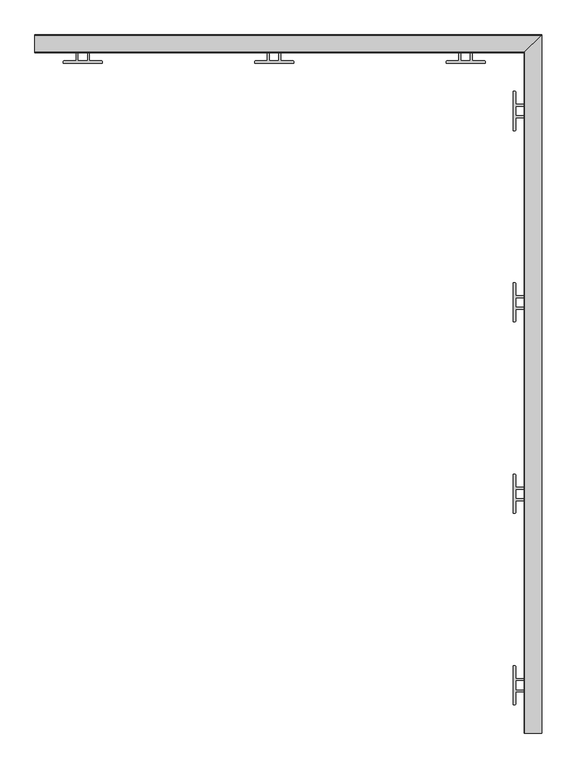
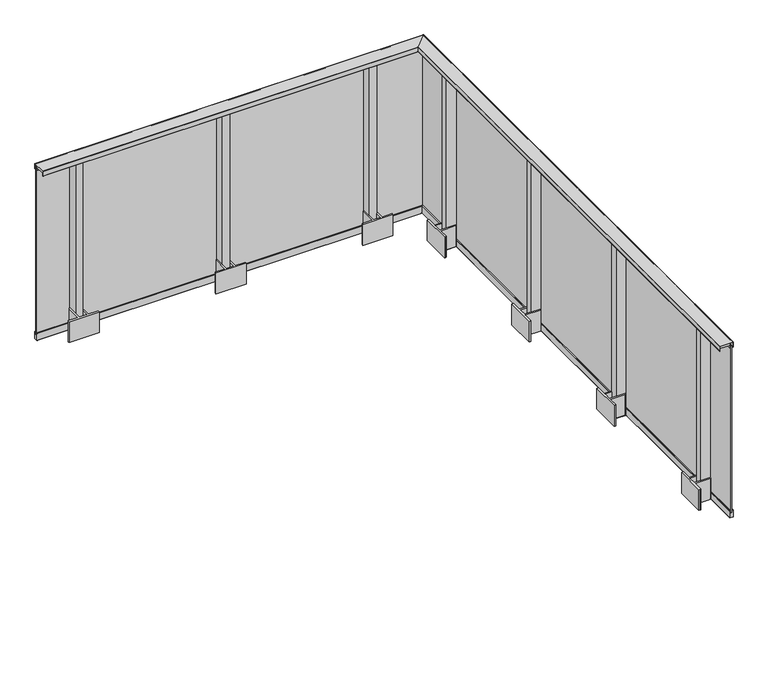
"""IFC4 building model written with IfcOpenShell, lengths in millimetres: railing geometry."""

from ifc_helpers import new_model, si_unit, frame, origin, place, context, project, spatial, polyline, circle_curve, ellipse_curve, outline, extrude, faceted_brep, source, transform, mapped, element, save
from ifc_brep_helpers import plane_surface, cylinder_surface, revolved_surface, advanced_brep


def railing_fa740b34(model_context):
    return source(origin(), model_context, "Body", "SolidModel", [
        advanced_brep(
        [(9446.4625786, 370.4991817, 1100.0), (9445.9625786, 370.4991817, 1099.5), (9445.9625786, 370.4991817, 1065.5384355), (9446.4625786, 370.4991817, 1065.0384355), (9447.9625786, 370.4991817, 1065.0384355), (9447.9625786, 370.4991817, 1084.0), (9513.9566873, 370.4991817, 1084.0), (9513.9566873, 370.4991817, 1065.0590672), (9516.7566873, 370.4991817, 1065.0590672), (9516.7566873, 370.4991817, 1066.2590672), (9515.9566873, 370.4991817, 1066.2590672), (9515.9566873, 370.4991817, 1097.5), (9516.4566873, 370.4991817, 1098.0), (9533.4625786, 370.4991817, 1098.0), (9533.9625786, 370.4991817, 1097.5), (9533.9625786, 370.4991817, 1066.2590672), (9533.1625786, 370.4991817, 1066.2590672), (9533.1625786, 370.4991817, 1065.0590672), (9537.4625786, 370.4991817, 1065.0590672), (9537.9625786, 370.4991817, 1065.5590672), (9537.9625786, 370.4991817, 1099.5), (9537.4625786, 370.4991817, 1100.0), (9446.4625786, 3925.9797635, 1100.0), (9445.9625786, 3925.4797635, 1099.5), (9445.9625786, 3925.4797635, 1065.5384355), (9446.4625786, 3925.9797635, 1065.0384355), (9447.9625786, 3927.4797635, 1065.0384355), (9447.9625786, 3927.4797635, 1084.0), (9513.9566873, 3993.4738723, 1084.0), (9513.9566873, 3993.4738723, 1065.0590672), (9516.7566873, 3996.2738723, 1065.0590672), (9516.7566873, 3996.2738723, 1066.2590672), (9515.9566873, 3995.4738723, 1066.2590672), (9515.9566873, 3995.4738723, 1097.5), (9516.4566873, 3995.9738723, 1098.0), (9533.4625786, 4012.9797635, 1098.0), (9533.9625786, 4013.4797635, 1097.5), (9533.9625786, 4013.4797635, 1066.2590672), (9533.1625786, 4012.6797635, 1066.2590672), (9533.1625786, 4012.6797635, 1065.0590672), (9537.4625786, 4016.9797635, 1065.0590672), (9537.9625786, 4017.4797635, 1065.5590672), (9537.9625786, 4017.4797635, 1099.5), (9537.4625786, 4016.9797635, 1100.0), (6890.9819967, 3925.9797635, 1100.0), (6890.9819967, 4016.9797635, 1100.0), (6890.9819967, 4017.4797635, 1099.5), (6890.9819967, 4017.4797635, 1065.5590672), (6890.9819967, 4016.9797635, 1065.0590672), (6890.9819967, 4012.6797635, 1065.0590672), (6890.9819967, 4012.6797635, 1066.2590672), (6890.9819967, 4013.4797635, 1066.2590672), (6890.9819967, 4013.4797635, 1097.5), (6890.9819967, 4012.9797635, 1098.0), (6890.9819967, 3995.9738723, 1098.0), (6890.9819967, 3995.4738723, 1097.5), (6890.9819967, 3995.4738723, 1066.2590672), (6890.9819967, 3996.2738723, 1066.2590672), (6890.9819967, 3996.2738723, 1065.0590672), (6890.9819967, 3993.4738723, 1065.0590672), (6890.9819967, 3993.4738723, 1084.0), (6890.9819967, 3927.4797635, 1084.0), (6890.9819967, 3927.4797635, 1065.0384355), (6890.9819967, 3925.9797635, 1065.0384355), (6890.9819967, 3925.4797635, 1065.5384355), (6890.9819967, 3925.4797635, 1099.5)],
        [
            (0, 1, circle_curve(frame((9446.4625786, 370.4991817, 1099.5), z_axis=(0.0, -1.0, 0.0), x_axis=(1.0, 0.0, 0.0)), 0.5)),
            (1, 2),
            (2, 3, circle_curve(frame((9446.4625786, 370.4991817, 1065.5384355), z_axis=(0.0, -1.0, 0.0), x_axis=(1.0, 0.0, 0.0)), 0.5)),
            (3, 4),
            (4, 5),
            (5, 6),
            (6, 7),
            (7, 8),
            (8, 9),
            (9, 10),
            (10, 11),
            (11, 12, circle_curve(frame((9516.4566873, 370.4991817, 1097.5), z_axis=(0.0, 1.0, 0.0), x_axis=(1.0, 0.0, 0.0)), 0.5)),
            (12, 13),
            (13, 14, circle_curve(frame((9533.4625786, 370.4991817, 1097.5), z_axis=(0.0, 1.0, 0.0), x_axis=(1.0, 0.0, 0.0)), 0.5)),
            (14, 15),
            (15, 16),
            (16, 17),
            (17, 18),
            (18, 19, circle_curve(frame((9537.4625786, 370.4991817, 1065.5590672), z_axis=(0.0, -1.0, 0.0), x_axis=(1.0, 0.0, 0.0)), 0.5)),
            (19, 20),
            (20, 21, circle_curve(frame((9537.4625786, 370.4991817, 1099.5), z_axis=(0.0, -1.0, 0.0), x_axis=(1.0, 0.0, 0.0)), 0.5)),
            (21, 0),
            (0, 22),
            (22, 23, ellipse_curve(frame((9446.4625786, 3925.9797635, 1099.5), z_axis=(0.7071067811865467, -0.7071067811865482, 0.0), x_axis=(-0.7071067811865482, -0.7071067811865469, 0.0)), 0.7071068, 0.5)),
            (23, 1),
            (23, 24),
            (24, 2),
            (24, 25, ellipse_curve(frame((9446.4625786, 3925.9797635, 1065.5384355), z_axis=(0.7071067811865467, -0.7071067811865482, 0.0), x_axis=(-0.7071067811865482, -0.7071067811865469, 0.0)), 0.7071068, 0.5)),
            (25, 3),
            (25, 26),
            (26, 4),
            (26, 27),
            (27, 5),
            (27, 28),
            (28, 6),
            (28, 29),
            (29, 7),
            (29, 30),
            (30, 8),
            (30, 31),
            (31, 9),
            (31, 32),
            (32, 10),
            (32, 33),
            (33, 11),
            (33, 34, ellipse_curve(frame((9516.4566873, 3995.9738723, 1097.5), z_axis=(-0.7071067811865467, 0.7071067811865482, 0.0), x_axis=(0.7071067811865482, 0.7071067811865469, 0.0)), 0.7071068, 0.5)),
            (34, 12),
            (34, 35),
            (35, 13),
            (35, 36, ellipse_curve(frame((9533.4625786, 4012.9797635, 1097.5), z_axis=(-0.7071067811865467, 0.7071067811865482, 0.0), x_axis=(0.7071067811865482, 0.7071067811865469, 0.0)), 0.7071068, 0.5)),
            (36, 14),
            (36, 37),
            (37, 15),
            (37, 38),
            (38, 16),
            (38, 39),
            (39, 17),
            (39, 40),
            (40, 18),
            (40, 41, ellipse_curve(frame((9537.4625786, 4016.9797635, 1065.5590672), z_axis=(0.7071067811865467, -0.7071067811865482, 0.0), x_axis=(-0.7071067811865482, -0.7071067811865469, 0.0)), 0.7071068, 0.5)),
            (41, 19),
            (41, 42),
            (42, 20),
            (42, 43, ellipse_curve(frame((9537.4625786, 4016.9797635, 1099.5), z_axis=(0.7071067811865467, -0.7071067811865482, 0.0), x_axis=(-0.7071067811865482, -0.7071067811865469, 0.0)), 0.7071068, 0.5)),
            (43, 21),
            (43, 22),
            (44, 45),
            (45, 46, circle_curve(frame((6890.9819967, 4016.9797635, 1099.5), z_axis=(-1.0, 0.0, 0.0), x_axis=(0.0, 1.0, 0.0)), 0.5)),
            (46, 47),
            (47, 48, circle_curve(frame((6890.9819967, 4016.9797635, 1065.5590672), z_axis=(-1.0, 0.0, 0.0), x_axis=(0.0, 1.0, 0.0)), 0.5)),
            (48, 49),
            (49, 50),
            (50, 51),
            (51, 52),
            (52, 53, circle_curve(frame((6890.9819967, 4012.9797635, 1097.5), z_axis=(1.0, 0.0, 0.0), x_axis=(0.0, 1.0, 0.0)), 0.5)),
            (53, 54),
            (54, 55, circle_curve(frame((6890.9819967, 3995.9738723, 1097.5), z_axis=(1.0, 0.0, 0.0), x_axis=(0.0, 1.0, 0.0)), 0.5)),
            (55, 56),
            (56, 57),
            (57, 58),
            (58, 59),
            (59, 60),
            (60, 61),
            (61, 62),
            (62, 63),
            (63, 64, circle_curve(frame((6890.9819967, 3925.9797635, 1065.5384355), z_axis=(-1.0, 0.0, 0.0), x_axis=(0.0, 1.0, 0.0)), 0.5)),
            (64, 65),
            (65, 44, circle_curve(frame((6890.9819967, 3925.9797635, 1099.5), z_axis=(-1.0, 0.0, 0.0), x_axis=(0.0, 1.0, 0.0)), 0.5)),
            (22, 44),
            (65, 23),
            (64, 24),
            (63, 25),
            (62, 26),
            (61, 27),
            (60, 28),
            (59, 29),
            (58, 30),
            (57, 31),
            (56, 32),
            (55, 33),
            (54, 34),
            (53, 35),
            (52, 36),
            (51, 37),
            (50, 38),
            (49, 39),
            (48, 40),
            (47, 41),
            (46, 42),
            (45, 43),
        ],
        [
            plane_surface(frame((9482.9819967, 370.4991817, 1100.0), z_axis=(0.0, -1.0, 0.0), x_axis=(0.0, 0.0, 1.0))),
            cylinder_surface(frame((9446.4625786, 370.4991817, 1099.5), z_axis=(0.0, -1.0, 0.0), x_axis=(1.0, 0.0, 0.0)), 0.5),
            plane_surface(frame((9445.9625786, 370.4991817, 1099.5), z_axis=(-1.0, 0.0, 0.0), x_axis=(0.0, 1.0, 0.0))),
            cylinder_surface(frame((9446.4625786, 370.4991817, 1065.5384355), z_axis=(0.0, -1.0, 0.0), x_axis=(1.0, 0.0, 0.0)), 0.5),
            plane_surface(frame((9446.4625786, 370.4991817, 1065.0384355), z_axis=(0.0, 0.0, -1.0), x_axis=(0.0, 1.0, 0.0))),
            plane_surface(frame((9447.9625786, 370.4991817, 1065.0384355), z_axis=(1.0, 0.0, 0.0), x_axis=(0.0, 1.0, 0.0))),
            plane_surface(frame((9447.9625786, 370.4991817, 1084.0), z_axis=(0.0, 0.0, -1.0), x_axis=(0.0, 1.0, 0.0))),
            plane_surface(frame((9513.9566873, 370.4991817, 1084.0), z_axis=(-1.0, 0.0, 0.0), x_axis=(0.0, 1.0, 0.0))),
            plane_surface(frame((9513.9566873, 370.4991817, 1065.0590672), z_axis=(0.0, 0.0, -1.0), x_axis=(0.0, 1.0, 0.0))),
            plane_surface(frame((9516.7566873, 370.4991817, 1065.0590672), z_axis=(1.0, 0.0, 0.0), x_axis=(0.0, 1.0, 0.0))),
            plane_surface(frame((9516.7566873, 370.4991817, 1066.2590672), z_axis=(0.0, 0.0, 1.0), x_axis=(0.0, 1.0, 0.0))),
            plane_surface(frame((9515.9566873, 370.4991817, 1066.2590672), z_axis=(1.0, 0.0, 0.0), x_axis=(0.0, 1.0, 0.0))),
            revolved_surface(polyline([(9516.9566873, 3996.473872313303, 1097.5), (9516.9566873, 370.4991817, 1097.5)]), (9516.4566873, 370.4991817, 1097.5), (0.0, 1.0, 0.0)),
            plane_surface(frame((9516.4566873, 370.4991817, 1098.0), z_axis=(0.0, 0.0, -1.0), x_axis=(0.0, 1.0, 0.0))),
            revolved_surface(polyline([(9533.9625786, 4013.479763513303, 1097.5), (9533.9625786, 370.4991817, 1097.5)]), (9533.4625786, 370.4991817, 1097.5), (0.0, 1.0, 0.0)),
            plane_surface(frame((9533.9625786, 370.4991817, 1097.5), z_axis=(-1.0, 0.0, 0.0), x_axis=(0.0, 1.0, 0.0))),
            plane_surface(frame((9533.9625786, 370.4991817, 1066.2590672), z_axis=(0.0, 0.0, 1.0), x_axis=(0.0, 1.0, 0.0))),
            plane_surface(frame((9533.1625786, 370.4991817, 1066.2590672), z_axis=(-1.0, 0.0, 0.0), x_axis=(0.0, 1.0, 0.0))),
            plane_surface(frame((9533.1625786, 370.4991817, 1065.0590672), z_axis=(0.0, 0.0, -1.0), x_axis=(0.0, 1.0, 0.0))),
            cylinder_surface(frame((9537.4625786, 370.4991817, 1065.5590672), z_axis=(0.0, -1.0, 0.0), x_axis=(1.0, 0.0, 0.0)), 0.5),
            plane_surface(frame((9537.9625786, 370.4991817, 1065.5590672), z_axis=(1.0, 0.0, 0.0), x_axis=(0.0, 1.0, 0.0))),
            cylinder_surface(frame((9537.4625786, 370.4991817, 1099.5), z_axis=(0.0, -1.0, 0.0), x_axis=(1.0, 0.0, 0.0)), 0.5),
            plane_surface(frame((9537.4625786, 370.4991817, 1100.0), z_axis=(0.0, 0.0, 1.0), x_axis=(0.0, 1.0, 0.0))),
            plane_surface(frame((6890.9819967, 3962.4991817, 1100.0), z_axis=(-1.0, 0.0, 0.0), x_axis=(0.0, -1.0, 0.0))),
            cylinder_surface(frame((9482.9819967, 3925.9797635, 1099.5), z_axis=(1.0, 0.0, 0.0), x_axis=(0.0, 1.0, 0.0)), 0.5),
            plane_surface(frame((9445.9625786, 3925.4797635, 1099.5), z_axis=(0.0, -1.0, 0.0), x_axis=(-1.0, 0.0, 0.0))),
            cylinder_surface(frame((9482.9819967, 3925.9797635, 1065.5384355), z_axis=(1.0, 0.0, 0.0), x_axis=(0.0, 1.0, 0.0)), 0.5),
            plane_surface(frame((9446.4625786, 3925.9797635, 1065.0384355), z_axis=(0.0, 0.0, -1.0), x_axis=(-1.0, 0.0, 0.0))),
            plane_surface(frame((9447.9625786, 3927.4797635, 1065.0384355), z_axis=(0.0, 1.0, 0.0), x_axis=(-1.0, 0.0, 0.0))),
            plane_surface(frame((9447.9625786, 3927.4797635, 1084.0), z_axis=(0.0, 0.0, -1.0), x_axis=(-1.0, 0.0, 0.0))),
            plane_surface(frame((9513.9566873, 3993.4738723, 1084.0), z_axis=(0.0, -1.0, 0.0), x_axis=(-1.0, 0.0, 0.0))),
            plane_surface(frame((9513.9566873, 3993.4738723, 1065.0590672), z_axis=(0.0, 0.0, -1.0), x_axis=(-1.0, 0.0, 0.0))),
            plane_surface(frame((9516.7566873, 3996.2738723, 1065.0590672), z_axis=(0.0, 1.0, 0.0), x_axis=(-1.0, 0.0, 0.0))),
            plane_surface(frame((9516.7566873, 3996.2738723, 1066.2590672), z_axis=(0.0, 0.0, 1.0), x_axis=(-1.0, 0.0, 0.0))),
            plane_surface(frame((9515.9566873, 3995.4738723, 1066.2590672), z_axis=(0.0, 1.0, 0.0), x_axis=(-1.0, 0.0, 0.0))),
            revolved_surface(polyline([(6890.9819967, 3996.4738723, 1097.5), (9516.956687313303, 3996.4738723, 1097.5)]), (9482.9819967, 3995.9738723, 1097.5), (-1.0, 0.0, 0.0)),
            plane_surface(frame((9516.4566873, 3995.9738723, 1098.0), z_axis=(0.0, 0.0, -1.0), x_axis=(-1.0, 0.0, 0.0))),
            revolved_surface(polyline([(6890.9819967, 4013.4797635, 1097.5), (9533.962578613302, 4013.4797635, 1097.5)]), (9482.9819967, 4012.9797635, 1097.5), (-1.0, 0.0, 0.0)),
            plane_surface(frame((9533.9625786, 4013.4797635, 1097.5), z_axis=(0.0, -1.0, 0.0), x_axis=(-1.0, 0.0, 0.0))),
            plane_surface(frame((9533.9625786, 4013.4797635, 1066.2590672), z_axis=(0.0, 0.0, 1.0), x_axis=(-1.0, 0.0, 0.0))),
            plane_surface(frame((9533.1625786, 4012.6797635, 1066.2590672), z_axis=(0.0, -1.0, 0.0), x_axis=(-1.0, 0.0, 0.0))),
            plane_surface(frame((9533.1625786, 4012.6797635, 1065.0590672), z_axis=(0.0, 0.0, -1.0), x_axis=(-1.0, 0.0, 0.0))),
            cylinder_surface(frame((9482.9819967, 4016.9797635, 1065.5590672), z_axis=(1.0, 0.0, 0.0), x_axis=(0.0, 1.0, 0.0)), 0.5),
            plane_surface(frame((9537.9625786, 4017.4797635, 1065.5590672), z_axis=(0.0, 1.0, 0.0), x_axis=(-1.0, 0.0, 0.0))),
            cylinder_surface(frame((9482.9819967, 4016.9797635, 1099.5), z_axis=(1.0, 0.0, 0.0), x_axis=(0.0, 1.0, 0.0)), 0.5),
            plane_surface(frame((9537.4625786, 4016.9797635, 1100.0), z_axis=(0.0, 0.0, 1.0), x_axis=(-1.0, 0.0, 0.0))),
        ],
        [
            (0, [[1, 2, 3, 4, 5, 6, 7, 8, 9, 10, 11, 12, 13, 14, 15, 16, 17, 18, 19, 20, 21, 22]]),
            (1, [[-1, 23, 24, 25]]),
            (2, [[-2, -25, 26, 27]]),
            (3, [[-3, -27, 28, 29]]),
            (4, [[-4, -29, 30, 31]]),
            (5, [[-5, -31, 32, 33]]),
            (6, [[-6, -33, 34, 35]]),
            (7, [[-7, -35, 36, 37]]),
            (8, [[-8, -37, 38, 39]]),
            (9, [[-9, -39, 40, 41]]),
            (10, [[-10, -41, 42, 43]]),
            (11, [[-11, -43, 44, 45]]),
            (12, [[-12, -45, 46, 47]]),
            (13, [[-13, -47, 48, 49]]),
            (14, [[-14, -49, 50, 51]]),
            (15, [[-15, -51, 52, 53]]),
            (16, [[-16, -53, 54, 55]]),
            (17, [[-17, -55, 56, 57]]),
            (18, [[-18, -57, 58, 59]]),
            (19, [[-19, -59, 60, 61]]),
            (20, [[-20, -61, 62, 63]]),
            (21, [[-21, -63, 64, 65]]),
            (22, [[-22, -65, 66, -23]]),
            (23, [[67, 68, 69, 70, 71, 72, 73, 74, 75, 76, 77, 78, 79, 80, 81, 82, 83, 84, 85, 86, 87, 88]]),
            (24, [[-24, 89, -88, 90]]),
            (25, [[-26, -90, -87, 91]]),
            (26, [[-28, -91, -86, 92]]),
            (27, [[-30, -92, -85, 93]]),
            (28, [[-32, -93, -84, 94]]),
            (29, [[-34, -94, -83, 95]]),
            (30, [[-36, -95, -82, 96]]),
            (31, [[-38, -96, -81, 97]]),
            (32, [[-40, -97, -80, 98]]),
            (33, [[-42, -98, -79, 99]]),
            (34, [[-44, -99, -78, 100]]),
            (35, [[-46, -100, -77, 101]]),
            (36, [[-48, -101, -76, 102]]),
            (37, [[-50, -102, -75, 103]]),
            (38, [[-52, -103, -74, 104]]),
            (39, [[-54, -104, -73, 105]]),
            (40, [[-56, -105, -72, 106]]),
            (41, [[-58, -106, -71, 107]]),
            (42, [[-60, -107, -70, 108]]),
            (43, [[-62, -108, -69, 109]]),
            (44, [[-64, -109, -68, 110]]),
            (45, [[-66, -110, -67, -89]]),
        ],
    ),
        faceted_brep([(9529.9819967, 370.4991817, 1075.0), (9521.9819967, 370.4991817, 1075.0), (9521.9819967, 370.4991817, -125.0), (9529.9819967, 370.4991817, -125.0), (9529.9819967, 4009.4991817, 1075.0), (9521.9819967, 4001.4991817, 1075.0), (9521.9819967, 4001.4991817, -125.0), (9529.9819967, 4009.4991817, -125.0), (6890.9819967, 4009.4991817, 1075.0), (6890.9819967, 4009.4991817, -125.0), (6890.9819967, 4001.4991817, -125.0), (6890.9819967, 4001.4991817, 1075.0)], [[[0, 1, 2, 3]], [[1, 0, 4, 5]], [[2, 1, 5, 6]], [[3, 2, 6, 7]], [[0, 3, 7, 4]], [[8, 9, 10, 11]], [[5, 4, 8, 11]], [[6, 5, 11, 10]], [[7, 6, 10, 9]], [[4, 7, 9, 8]]]),
        faceted_brep([(9516.6692541, 370.4991817, 1065.2160621), (9515.6441664, 370.4991817, 1065.2160621), (9515.6441664, 370.4991817, 1063.6627783), (9521.9819967, 370.4991817, 1061.8454347), (9521.9819967, 370.4991817, 1072.0), (9516.6692541, 370.4991817, 1074.1464874), (9516.6692541, 3996.186439, 1065.2160621), (9515.6441664, 3995.1613513, 1065.2160621), (9515.6441664, 3995.1613513, 1063.6627783), (9521.9819967, 4001.4991817, 1061.8454347), (9521.9819967, 4001.4991817, 1072.0), (9516.6692541, 3996.186439, 1074.1464874), (6890.9819967, 3996.186439, 1065.2160621), (6890.9819967, 3996.186439, 1074.1464874), (6890.9819967, 4001.4991817, 1072.0), (6890.9819967, 4001.4991817, 1061.8454347), (6890.9819967, 3995.1613513, 1063.6627783), (6890.9819967, 3995.1613513, 1065.2160621)], [[[0, 1, 2, 3, 4, 5]], [[1, 0, 6, 7]], [[2, 1, 7, 8]], [[3, 2, 8, 9]], [[4, 3, 9, 10]], [[5, 4, 10, 11]], [[0, 5, 11, 6]], [[12, 13, 14, 15, 16, 17]], [[7, 6, 12, 17]], [[8, 7, 17, 16]], [[9, 8, 16, 15]], [[10, 9, 15, 14]], [[11, 10, 14, 13]], [[6, 11, 13, 12]]]),
        faceted_brep([(9535.2947394, 370.4991817, 1065.2160621), (9535.2947394, 370.4991817, 1074.1464874), (9529.9819967, 370.4991817, 1072.0), (9529.9819967, 370.4991817, 1061.8454347), (9536.3198271, 370.4991817, 1063.6627783), (9536.3198271, 370.4991817, 1065.2160621), (9535.2947394, 4014.8119243, 1065.2160621), (9535.2947394, 4014.8119243, 1074.1464874), (9529.9819967, 4009.4991817, 1072.0), (9529.9819967, 4009.4991817, 1061.8454347), (9536.3198271, 4015.837012, 1063.6627783), (9536.3198271, 4015.837012, 1065.2160621), (6890.9819967, 4014.8119243, 1065.2160621), (6890.9819967, 4015.837012, 1065.2160621), (6890.9819967, 4015.837012, 1063.6627783), (6890.9819967, 4009.4991817, 1061.8454347), (6890.9819967, 4009.4991817, 1072.0), (6890.9819967, 4014.8119243, 1074.1464874)], [[[0, 1, 2, 3, 4, 5]], [[1, 0, 6, 7]], [[2, 1, 7, 8]], [[3, 2, 8, 9]], [[4, 3, 9, 10]], [[5, 4, 10, 11]], [[0, 5, 11, 6]], [[12, 13, 14, 15, 16, 17]], [[7, 6, 12, 17]], [[8, 7, 17, 16]], [[9, 8, 16, 15]], [[10, 9, 15, 14]], [[11, 10, 14, 13]], [[6, 11, 13, 12]]]),
        advanced_brep(
        [(9537.4819967, 370.4991817, -160.0), (9537.9819967, 370.4991817, -159.5), (9537.9819967, 370.4991817, -110.5), (9537.4819967, 370.4991817, -110.0), (9514.4819967, 370.4991817, -110.0), (9513.9819967, 370.4991817, -110.5), (9513.9819967, 370.4991817, -159.5), (9514.4819967, 370.4991817, -160.0), (9537.4819967, 4016.9991817, -160.0), (9537.9819967, 4017.4991817, -159.5), (9537.9819967, 4017.4991817, -110.5), (9537.4819967, 4016.9991817, -110.0), (9514.4819967, 3993.9991817, -110.0), (9513.9819967, 3993.4991817, -110.5), (9513.9819967, 3993.4991817, -159.5), (9514.4819967, 3993.9991817, -160.0), (6890.9819967, 4016.9991817, -160.0), (6890.9819967, 3993.9991817, -160.0), (6890.9819967, 3993.4991817, -159.5), (6890.9819967, 3993.4991817, -110.5), (6890.9819967, 3993.9991817, -110.0), (6890.9819967, 4016.9991817, -110.0), (6890.9819967, 4017.4991817, -110.5), (6890.9819967, 4017.4991817, -159.5)],
        [
            (0, 1, circle_curve(frame((9537.4819967, 370.4991817, -159.5), z_axis=(0.0, -1.0, 0.0), x_axis=(1.0, 0.0, 0.0)), 0.5)),
            (1, 2),
            (2, 3, circle_curve(frame((9537.4819967, 370.4991817, -110.5), z_axis=(0.0, -1.0, 0.0), x_axis=(1.0, 0.0, 0.0)), 0.5)),
            (3, 4),
            (4, 5, circle_curve(frame((9514.4819967, 370.4991817, -110.5), z_axis=(0.0, -1.0, 0.0), x_axis=(1.0, 0.0, 0.0)), 0.5)),
            (5, 6),
            (6, 7, circle_curve(frame((9514.4819967, 370.4991817, -159.5), z_axis=(0.0, -1.0, 0.0), x_axis=(1.0, 0.0, 0.0)), 0.5)),
            (7, 0),
            (0, 8),
            (8, 9, ellipse_curve(frame((9537.4819967, 4016.9991817, -159.5), z_axis=(0.7071067811865467, -0.7071067811865482, 0.0), x_axis=(-0.7071067811865482, -0.7071067811865469, 0.0)), 0.7071068, 0.5)),
            (9, 1),
            (9, 10),
            (10, 2),
            (10, 11, ellipse_curve(frame((9537.4819967, 4016.9991817, -110.5), z_axis=(0.7071067811865467, -0.7071067811865482, 0.0), x_axis=(-0.7071067811865482, -0.7071067811865469, 0.0)), 0.7071068, 0.5)),
            (11, 3),
            (11, 12),
            (12, 4),
            (12, 13, ellipse_curve(frame((9514.4819967, 3993.9991817, -110.5), z_axis=(0.7071067811865467, -0.7071067811865482, 0.0), x_axis=(-0.7071067811865482, -0.7071067811865469, 0.0)), 0.7071068, 0.5)),
            (13, 5),
            (13, 14),
            (14, 6),
            (14, 15, ellipse_curve(frame((9514.4819967, 3993.9991817, -159.5), z_axis=(0.7071067811865467, -0.7071067811865482, 0.0), x_axis=(-0.7071067811865482, -0.7071067811865469, 0.0)), 0.7071068, 0.5)),
            (15, 7),
            (15, 8),
            (16, 17),
            (17, 18, circle_curve(frame((6890.9819967, 3993.9991817, -159.5), z_axis=(-1.0, 0.0, 0.0), x_axis=(0.0, 1.0, 0.0)), 0.5)),
            (18, 19),
            (19, 20, circle_curve(frame((6890.9819967, 3993.9991817, -110.5), z_axis=(-1.0, 0.0, 0.0), x_axis=(0.0, 1.0, 0.0)), 0.5)),
            (20, 21),
            (21, 22, circle_curve(frame((6890.9819967, 4016.9991817, -110.5), z_axis=(-1.0, 0.0, 0.0), x_axis=(0.0, 1.0, 0.0)), 0.5)),
            (22, 23),
            (23, 16, circle_curve(frame((6890.9819967, 4016.9991817, -159.5), z_axis=(-1.0, 0.0, 0.0), x_axis=(0.0, 1.0, 0.0)), 0.5)),
            (8, 16),
            (23, 9),
            (22, 10),
            (21, 11),
            (20, 12),
            (19, 13),
            (18, 14),
            (17, 15),
        ],
        [
            plane_surface(frame((9525.9819967, 370.4991817, -160.0), z_axis=(0.0, -1.0, 0.0), x_axis=(0.0, 0.0, 1.0))),
            cylinder_surface(frame((9537.4819967, 370.4991817, -159.5), z_axis=(0.0, -1.0, 0.0), x_axis=(1.0, 0.0, 0.0)), 0.5),
            plane_surface(frame((9537.9819967, 370.4991817, -159.5), z_axis=(1.0, 0.0, 0.0), x_axis=(0.0, 1.0, 0.0))),
            cylinder_surface(frame((9537.4819967, 370.4991817, -110.5), z_axis=(0.0, -1.0, 0.0), x_axis=(1.0, 0.0, 0.0)), 0.5),
            plane_surface(frame((9537.4819967, 370.4991817, -110.0), z_axis=(0.0, 0.0, 1.0), x_axis=(0.0, 1.0, 0.0))),
            cylinder_surface(frame((9514.4819967, 370.4991817, -110.5), z_axis=(0.0, -1.0, 0.0), x_axis=(1.0, 0.0, 0.0)), 0.5),
            plane_surface(frame((9513.9819967, 370.4991817, -110.5), z_axis=(-1.0, 0.0, 0.0), x_axis=(0.0, 1.0, 0.0))),
            cylinder_surface(frame((9514.4819967, 370.4991817, -159.5), z_axis=(0.0, -1.0, 0.0), x_axis=(1.0, 0.0, 0.0)), 0.5),
            plane_surface(frame((9514.4819967, 370.4991817, -160.0), z_axis=(0.0, 0.0, -1.0), x_axis=(0.0, 1.0, 0.0))),
            plane_surface(frame((6890.9819967, 4005.4991817, -160.0), z_axis=(-1.0, 0.0, 0.0), x_axis=(0.0, -1.0, 0.0))),
            cylinder_surface(frame((9525.9819967, 4016.9991817, -159.5), z_axis=(1.0, 0.0, 0.0), x_axis=(0.0, 1.0, 0.0)), 0.5),
            plane_surface(frame((9537.9819967, 4017.4991817, -159.5), z_axis=(0.0, 1.0, 0.0), x_axis=(-1.0, 0.0, 0.0))),
            cylinder_surface(frame((9525.9819967, 4016.9991817, -110.5), z_axis=(1.0, 0.0, 0.0), x_axis=(0.0, 1.0, 0.0)), 0.5),
            plane_surface(frame((9537.4819967, 4016.9991817, -110.0), z_axis=(0.0, 0.0, 1.0), x_axis=(-1.0, 0.0, 0.0))),
            cylinder_surface(frame((9525.9819967, 3993.9991817, -110.5), z_axis=(1.0, 0.0, 0.0), x_axis=(0.0, 1.0, 0.0)), 0.5),
            plane_surface(frame((9513.9819967, 3993.4991817, -110.5), z_axis=(0.0, -1.0, 0.0), x_axis=(-1.0, 0.0, 0.0))),
            cylinder_surface(frame((9525.9819967, 3993.9991817, -159.5), z_axis=(1.0, 0.0, 0.0), x_axis=(0.0, 1.0, 0.0)), 0.5),
            plane_surface(frame((9514.4819967, 3993.9991817, -160.0), z_axis=(0.0, 0.0, -1.0), x_axis=(-1.0, 0.0, 0.0))),
        ],
        [
            (0, [[1, 2, 3, 4, 5, 6, 7, 8]]),
            (1, [[-1, 9, 10, 11]]),
            (2, [[-2, -11, 12, 13]]),
            (3, [[-3, -13, 14, 15]]),
            (4, [[-4, -15, 16, 17]]),
            (5, [[-5, -17, 18, 19]]),
            (6, [[-6, -19, 20, 21]]),
            (7, [[-7, -21, 22, 23]]),
            (8, [[-8, -23, 24, -9]]),
            (9, [[25, 26, 27, 28, 29, 30, 31, 32]]),
            (10, [[-10, 33, -32, 34]]),
            (11, [[-12, -34, -31, 35]]),
            (12, [[-14, -35, -30, 36]]),
            (13, [[-16, -36, -29, 37]]),
            (14, [[-18, -37, -28, 38]]),
            (15, [[-20, -38, -27, 39]]),
            (16, [[-22, -39, -26, 40]]),
            (17, [[-24, -40, -25, -33]]),
        ],
    ),
        extrude(outline(polyline([(7115.9819967, 3928.4991817), (7115.9819967, 3993.4991817), (7165.9819967, 3993.4991817), (7165.9819967, 3928.4991817), (7115.9819967, 3928.4991817)])), frame((0.0, 0.0, -162.0), z_axis=(0.0, 0.0, 1.0), x_axis=(1.0, 0.0, 0.0)), (0.0, 0.0, 1.0), 1250.0384355),
        extrude(outline(polyline([(7038.4819967, 3870.4991817), (7038.4819967, 3879.6707545), (7041.3104239, 3882.4991817), (7105.9612097, 3882.4991817), (7105.9612097, 3985.4362256), (7109.4872118, 3990.4718784), (7115.9612097, 3990.4718784), (7115.9612097, 3882.4991817), (7166.0027837, 3882.4991817), (7166.0027837, 3990.4718784), (7172.4767816, 3990.4718784), (7176.0027837, 3985.4362256), (7176.0027837, 3882.4991817), (7240.6535696, 3882.4991817), (7243.4819967, 3879.6707545), (7243.4819967, 3870.4991817), (7038.4819967, 3870.4991817)])), frame((0.0, 0.0, -152.0), z_axis=(0.0, 0.0, 1.0), x_axis=(1.0, 0.0, 0.0)), (0.0, 0.0, 1.0), 150.0),
        extrude(outline(polyline([(8115.9819967, 3928.4991817), (8115.9819967, 3993.4991817), (8165.9819967, 3993.4991817), (8165.9819967, 3928.4991817), (8115.9819967, 3928.4991817)])), frame((0.0, 0.0, -162.0), z_axis=(0.0, 0.0, 1.0), x_axis=(1.0, 0.0, 0.0)), (0.0, 0.0, 1.0), 1250.0384355),
        extrude(outline(polyline([(8038.4819967, 3870.4991817), (8038.4819967, 3879.6707545), (8041.3104239, 3882.4991817), (8105.9612097, 3882.4991817), (8105.9612097, 3985.4362256), (8109.4872118, 3990.4718784), (8115.9612097, 3990.4718784), (8115.9612097, 3882.4991817), (8166.0027837, 3882.4991817), (8166.0027837, 3990.4718784), (8172.4767816, 3990.4718784), (8176.0027837, 3985.4362256), (8176.0027837, 3882.4991817), (8240.6535696, 3882.4991817), (8243.4819967, 3879.6707545), (8243.4819967, 3870.4991817), (8038.4819967, 3870.4991817)])), frame((0.0, 0.0, -152.0), z_axis=(0.0, 0.0, 1.0), x_axis=(1.0, 0.0, 0.0)), (0.0, 0.0, 1.0), 150.0),
        extrude(outline(polyline([(9115.9819967, 3928.4991817), (9115.9819967, 3993.4991817), (9165.9819967, 3993.4991817), (9165.9819967, 3928.4991817), (9115.9819967, 3928.4991817)])), frame((0.0, 0.0, -162.0), z_axis=(0.0, 0.0, 1.0), x_axis=(1.0, 0.0, 0.0)), (0.0, 0.0, 1.0), 1250.0384355),
        extrude(outline(polyline([(9038.4819967, 3870.4991817), (9038.4819967, 3879.6707545), (9041.3104239, 3882.4991817), (9105.9612097, 3882.4991817), (9105.9612097, 3985.4362256), (9109.4872118, 3990.4718784), (9115.9612097, 3990.4718784), (9115.9612097, 3882.4991817), (9166.0027837, 3882.4991817), (9166.0027837, 3990.4718784), (9172.4767816, 3990.4718784), (9176.0027837, 3985.4362256), (9176.0027837, 3882.4991817), (9240.6535696, 3882.4991817), (9243.4819967, 3879.6707545), (9243.4819967, 3870.4991817), (9038.4819967, 3870.4991817)])), frame((0.0, 0.0, -152.0), z_axis=(0.0, 0.0, 1.0), x_axis=(1.0, 0.0, 0.0)), (0.0, 0.0, 1.0), 150.0),
        extrude(outline(polyline([(9448.9819967, 3645.4991817), (9513.9819967, 3645.4991817), (9513.9819967, 3595.4991817), (9448.9819967, 3595.4991817), (9448.9819967, 3645.4991817)])), frame((0.0, 0.0, -162.0), z_axis=(0.0, 0.0, 1.0), x_axis=(1.0, 0.0, 0.0)), (0.0, 0.0, 1.0), 1250.0384355),
        extrude(outline(polyline([(9390.9819967, 3722.9991817), (9400.1535696, 3722.9991817), (9402.9819967, 3720.1707545), (9402.9819967, 3655.5199687), (9505.9190406, 3655.5199687), (9510.9546935, 3651.9939666), (9510.9546935, 3645.5199687), (9402.9819967, 3645.5199687), (9402.9819967, 3595.4783947), (9510.9546935, 3595.4783947), (9510.9546935, 3589.0043968), (9505.9190406, 3585.4783947), (9402.9819967, 3585.4783947), (9402.9819967, 3520.8276088), (9400.1535696, 3517.9991817), (9390.9819967, 3517.9991817), (9390.9819967, 3722.9991817)])), frame((0.0, 0.0, -152.0), z_axis=(0.0, 0.0, 1.0), x_axis=(1.0, 0.0, 0.0)), (0.0, 0.0, 1.0), 150.0),
        extrude(outline(polyline([(9448.9819967, 2645.4991817), (9513.9819967, 2645.4991817), (9513.9819967, 2595.4991817), (9448.9819967, 2595.4991817), (9448.9819967, 2645.4991817)])), frame((0.0, 0.0, -162.0), z_axis=(0.0, 0.0, 1.0), x_axis=(1.0, 0.0, 0.0)), (0.0, 0.0, 1.0), 1250.0384355),
        extrude(outline(polyline([(9390.9819967, 2722.9991817), (9400.1535696, 2722.9991817), (9402.9819967, 2720.1707545), (9402.9819967, 2655.5199687), (9505.9190406, 2655.5199687), (9510.9546935, 2651.9939666), (9510.9546935, 2645.5199687), (9402.9819967, 2645.5199687), (9402.9819967, 2595.4783947), (9510.9546935, 2595.4783947), (9510.9546935, 2589.0043968), (9505.9190406, 2585.4783947), (9402.9819967, 2585.4783947), (9402.9819967, 2520.8276088), (9400.1535696, 2517.9991817), (9390.9819967, 2517.9991817), (9390.9819967, 2722.9991817)])), frame((0.0, 0.0, -152.0), z_axis=(0.0, 0.0, 1.0), x_axis=(1.0, 0.0, 0.0)), (0.0, 0.0, 1.0), 150.0),
        extrude(outline(polyline([(9448.9819967, 1645.4991817), (9513.9819967, 1645.4991817), (9513.9819967, 1595.4991817), (9448.9819967, 1595.4991817), (9448.9819967, 1645.4991817)])), frame((0.0, 0.0, -162.0), z_axis=(0.0, 0.0, 1.0), x_axis=(1.0, 0.0, 0.0)), (0.0, 0.0, 1.0), 1250.0384355),
        extrude(outline(polyline([(9390.9819967, 1722.9991817), (9400.1535696, 1722.9991817), (9402.9819967, 1720.1707545), (9402.9819967, 1655.5199687), (9505.9190406, 1655.5199687), (9510.9546935, 1651.9939666), (9510.9546935, 1645.5199687), (9402.9819967, 1645.5199687), (9402.9819967, 1595.4783947), (9510.9546935, 1595.4783947), (9510.9546935, 1589.0043968), (9505.9190406, 1585.4783947), (9402.9819967, 1585.4783947), (9402.9819967, 1520.8276088), (9400.1535696, 1517.9991817), (9390.9819967, 1517.9991817), (9390.9819967, 1722.9991817)])), frame((0.0, 0.0, -152.0), z_axis=(0.0, 0.0, 1.0), x_axis=(1.0, 0.0, 0.0)), (0.0, 0.0, 1.0), 150.0),
        extrude(outline(polyline([(9448.9819967, 645.4991817), (9513.9819967, 645.4991817), (9513.9819967, 595.4991817), (9448.9819967, 595.4991817), (9448.9819967, 645.4991817)])), frame((0.0, 0.0, -162.0), z_axis=(0.0, 0.0, 1.0), x_axis=(1.0, 0.0, 0.0)), (0.0, 0.0, 1.0), 1250.0384355),
        extrude(outline(polyline([(9390.9819967, 722.9991817), (9400.1535696, 722.9991817), (9402.9819967, 720.1707545), (9402.9819967, 655.5199687), (9505.9190406, 655.5199687), (9510.9546935, 651.9939666), (9510.9546935, 645.5199687), (9402.9819967, 645.5199687), (9402.9819967, 595.4783947), (9510.9546935, 595.4783947), (9510.9546935, 589.0043968), (9505.9190406, 585.4783947), (9402.9819967, 585.4783947), (9402.9819967, 520.8276088), (9400.1535696, 517.9991817), (9390.9819967, 517.9991817), (9390.9819967, 722.9991817)])), frame((0.0, 0.0, -152.0), z_axis=(0.0, 0.0, 1.0), x_axis=(1.0, 0.0, 0.0)), (0.0, 0.0, 1.0), 150.0),
        extrude(outline(polyline([(7115.9819967, 3928.4991817), (7115.9819967, 3993.4991817), (7165.9819967, 3993.4991817), (7165.9819967, 3928.4991817), (7115.9819967, 3928.4991817)])), frame((0.0, 0.0, -162.0), z_axis=(0.0, 0.0, 1.0), x_axis=(1.0, 0.0, 0.0)), (0.0, 0.0, 1.0), 1250.0384355),
        extrude(outline(polyline([(7038.4819967, 3870.4991817), (7038.4819967, 3879.6707545), (7041.3104239, 3882.4991817), (7105.9612097, 3882.4991817), (7105.9612097, 3985.4362256), (7109.4872118, 3990.4718784), (7115.9612097, 3990.4718784), (7115.9612097, 3882.4991817), (7166.0027837, 3882.4991817), (7166.0027837, 3990.4718784), (7172.4767816, 3990.4718784), (7176.0027837, 3985.4362256), (7176.0027837, 3882.4991817), (7240.6535696, 3882.4991817), (7243.4819967, 3879.6707545), (7243.4819967, 3870.4991817), (7038.4819967, 3870.4991817)])), frame((0.0, 0.0, -152.0), z_axis=(0.0, 0.0, 1.0), x_axis=(1.0, 0.0, 0.0)), (0.0, 0.0, 1.0), 150.0),
        extrude(outline(polyline([(9448.9819967, 645.4991817), (9513.9819967, 645.4991817), (9513.9819967, 595.4991817), (9448.9819967, 595.4991817), (9448.9819967, 645.4991817)])), frame((0.0, 0.0, -162.0), z_axis=(0.0, 0.0, 1.0), x_axis=(1.0, 0.0, 0.0)), (0.0, 0.0, 1.0), 1250.0384355),
        extrude(outline(polyline([(9390.9819967, 722.9991817), (9400.1535696, 722.9991817), (9402.9819967, 720.1707545), (9402.9819967, 655.5199687), (9505.9190406, 655.5199687), (9510.9546935, 651.9939666), (9510.9546935, 645.5199687), (9402.9819967, 645.5199687), (9402.9819967, 595.4783947), (9510.9546935, 595.4783947), (9510.9546935, 589.0043968), (9505.9190406, 585.4783947), (9402.9819967, 585.4783947), (9402.9819967, 520.8276088), (9400.1535696, 517.9991817), (9390.9819967, 517.9991817), (9390.9819967, 722.9991817)])), frame((0.0, 0.0, -152.0), z_axis=(0.0, 0.0, 1.0), x_axis=(1.0, 0.0, 0.0)), (0.0, 0.0, 1.0), 150.0),
    ])


if __name__ == "__main__":
    model = new_model("IFC4")
    model_context = context("Model", 3, world=origin())
    ifc_project = project(units=[si_unit("LENGTHUNIT", "METRE", prefix="MILLI")], contexts=[model_context])
    site = spatial("IfcSite", under=ifc_project)
    building = spatial("IfcBuilding", under=site)
    placement = place(None, origin())
    railing_shape = railing_fa740b34(model_context)
    element("IfcRailing", 1, at=placement, inside=building, context=model_context, shape_type="MappedRepresentation", body=[
        mapped(railing_shape, transform((0.0, 0.0, 0.0), x_axis=(1.0, 0.0, 0.0), y_axis=(0.0, 1.0, 0.0), z_axis=(0.0, 0.0, 1.0))),
    ])
    save(model, "model.ifc")
